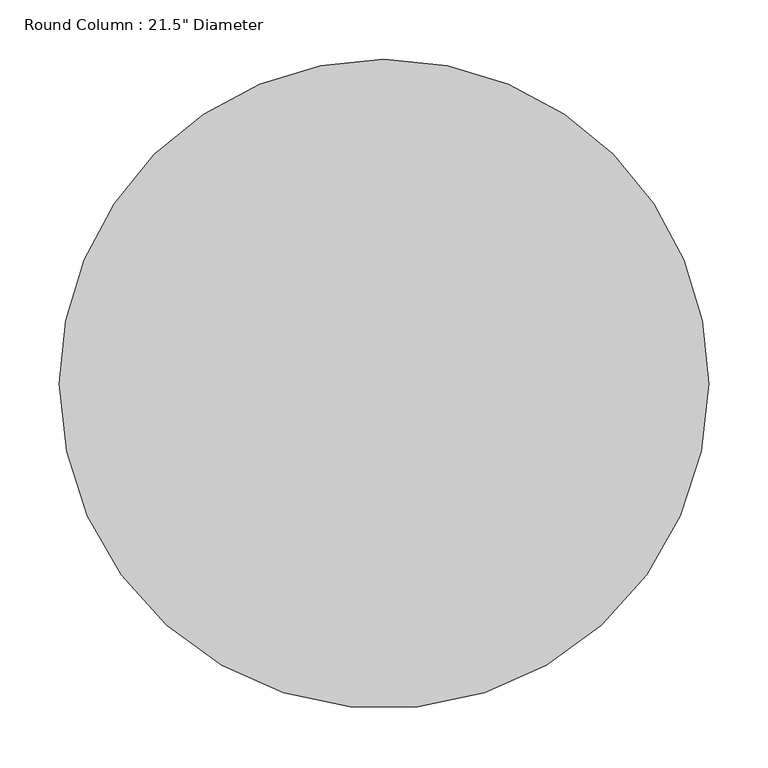
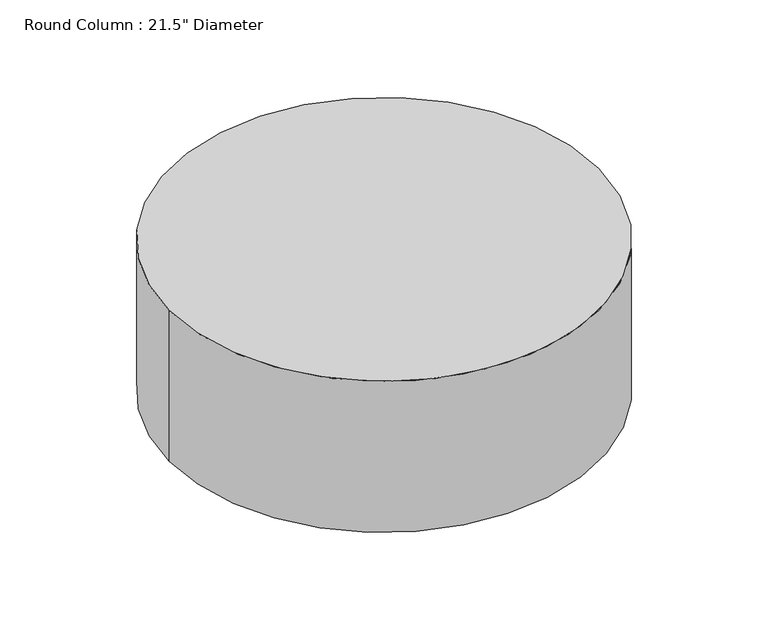
"""IFC4 building model written with IfcOpenShell, lengths in millimetres: column geometry."""

from ifc_helpers import new_model, si_unit, point, frame, origin, origin_2d, place, context, project, spatial, circle_curve, trimmed, segment, composite_curve, outline, extrude, source, transform, mapped, element, save


def column_25fd9c15(model_context):
    return source(origin(), model_context, "Body", "SweptSolid", [
        extrude(outline(composite_curve([segment(trimmed(circle_curve(origin_2d(), 273.05), [point((273.05, 0.0))], [point((-273.05, 0.0))], False, "CARTESIAN"), True, "CONTINUOUS"), segment(trimmed(circle_curve(origin_2d(), 273.05), [point((-273.05, 0.0))], [point((0.0, 273.05))], False, "CARTESIAN"), True, "CONTINUOUS"), segment(trimmed(circle_curve(origin_2d(), 273.05), [point((0.0, 273.05))], [point((273.05, 0.0))], False, "CARTESIAN"), True, "CONTINUOUS")], self_intersect=False)), frame((0.0, 0.0, 1409.7), z_axis=(0.0, 0.0, 1.0), x_axis=(1.0, 0.0, 0.0)), (0.0, 0.0, 1.0), 203.2),
    ])


if __name__ == "__main__":
    model = new_model("IFC4")
    model_context = context("Model", 3, world=origin())
    ifc_project = project(units=[si_unit("LENGTHUNIT", "METRE", prefix="MILLI")], contexts=[model_context])
    site = spatial("IfcSite", under=ifc_project)
    building = spatial("IfcBuilding", under=site)
    placement = place(None, origin())
    column_shape = column_25fd9c15(model_context)
    element("IfcColumn", 1, ObjectType="Round Column : 21.5\" Diameter", at=placement, inside=building, context=model_context, shape_type="MappedRepresentation", body=[
        mapped(column_shape, transform((0.0, 0.0, 0.0), x_axis=(1.0, 0.0, 0.0), y_axis=(0.0, 1.0, 0.0), z_axis=(0.0, 0.0, 1.0))),
    ])
    save(model, "model.ifc")
